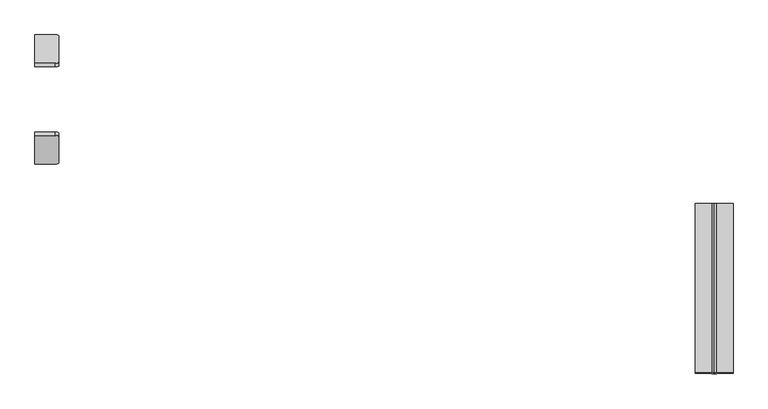
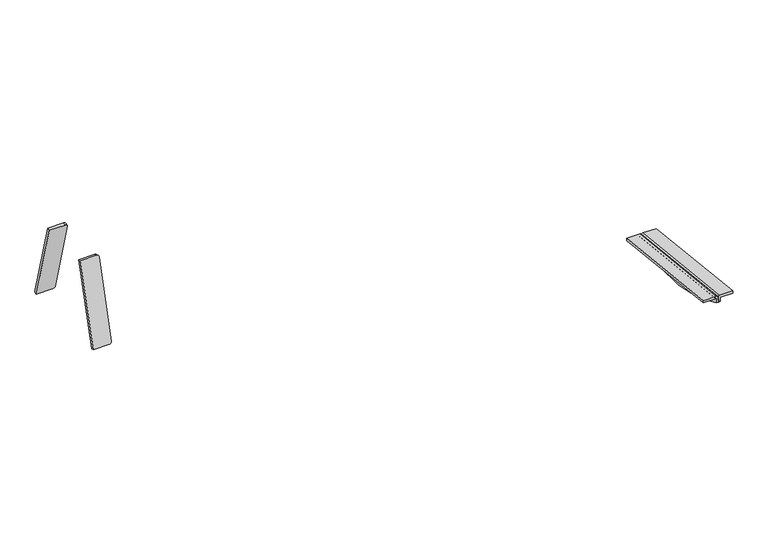
"""IFC4 building model written with IfcOpenShell, lengths in millimetres: furniture geometry."""

from ifc_helpers import new_model, si_unit, point, frame, frame_2d, origin, place, context, project, spatial, polyline, circle_curve, trimmed, segment, composite_curve, outline, extrude, source, transform, mapped, element, save
from ifc_brep_helpers import plane_surface, cylinder_surface, revolved_surface, advanced_brep


def furniture_ac6feadc(model_context):
    return source(origin(), model_context, "Body", "SolidModel", [
        extrude(outline(composite_curve([segment(polyline([(-50.4131532, 0.0), (0.0, 0.0)]), True, "CONTINUOUS"), segment(trimmed(circle_curve(frame_2d((0.0, -8.0000001)), 8.0), [point((0.0, 0.0))], [point((7.9184089, -6.8603506))], False, "CARTESIAN"), True, "CONTINUOUS"), segment(polyline([(7.9184089, -6.8603506), (7.45034, -256.1095797)]), True, "CONTINUOUS"), segment(trimmed(circle_curve(frame_2d((-0.5496459, -256.0945564)), 8.0), [point((7.45034, -256.1095797))], [point((-0.5646692, -264.0945423))], False, "CARTESIAN"), True, "CONTINUOUS"), segment(polyline([(-0.5646692, -264.0945423), (-50.9089228, -264.0), (-50.4131532, 0.0)]), True, "CONTINUOUS")], self_intersect=False)), frame((-809.1212977, 506.2807973, 503.5014558), z_axis=(-0.0013631459484884157, 0.9642258427672697, 0.2650786033856215), x_axis=(0.9999973076401404, 0.0018121741131812883, -0.0014493920980689612)), (0.0, 0.0, 1.0), 8.5816086),
        extrude(outline(composite_curve([segment(polyline([(0.0, 0.0), (264.0004656, 0.0), (264.0004656, -50.3443424)]), True, "CONTINUOUS"), segment(trimmed(circle_curve(frame_2d((256.0004656, -50.3443424)), 8.0), [point((264.0004656, -50.3443424))], [point((256.0004656, -58.3443424))], False, "CARTESIAN"), True, "CONTINUOUS"), segment(polyline([(256.0004656, -58.3443424), (6.750797, -58.3443424)]), True, "CONTINUOUS"), segment(trimmed(circle_curve(frame_2d((7.9053145, -50.4280877)), 8.0), [point((6.750797, -58.3443424))], [point((-0.0946714, -50.4130643))], False, "CARTESIAN"), True, "CONTINUOUS"), segment(polyline([(-0.0946714, -50.4130643), (0.0, 0.0)]), True, "CONTINUOUS")], self_intersect=False)), frame((-859.5343152, 204.7655811, 503.5745242), z_axis=(-0.0013631459484884229, -0.9642258427672697, 0.2650786033856215), x_axis=(0.0, 0.265078849666105, 0.9642267386147796)), (0.0, 0.0, 1.0), 8.5816086),
        advanced_brep(
        [(813.6175866, 96.5595156, 347.1443157), (813.6175866, -321.0984876, 392.7020678), (813.6175866, -319.360624, 408.6419375), (813.6175866, 98.2997586, 363.1060105), (819.6131806, -321.0984876, 392.7020678), (819.6131806, 96.5595156, 347.1443157), (819.6131806, 97.8380001, 358.8707122), (819.6131806, -319.8223825, 404.4066392), (820.5642613, -319.7193007, 405.3521172), (859.6028254, -319.7193007, 405.3521172), (859.6028254, -318.9270883, 412.6183739), (817.6175866, -318.9270883, 412.6183739), (817.6175866, 98.7332944, 367.0824469), (859.6028254, 98.7332944, 367.0824469), (859.6028254, 97.941082, 359.8161902), (820.5642613, 97.941082, 359.8161902)],
        [
            (0, 1, circle_curve(frame((813.6175866, -59.7670647, 851.2475639), z_axis=(-1.0, 0.0, 0.0), x_axis=(0.0, -1.0, 0.0)), 527.7860216)),
            (1, 2),
            (2, 3),
            (3, 0),
            (4, 5, circle_curve(frame((819.6131806, -59.7670647, 851.2475639), z_axis=(1.0, 0.0, 0.0), x_axis=(0.0, -1.0, 0.0)), 527.7860216)),
            (5, 6),
            (6, 7),
            (7, 4),
            (1, 4),
            (7, 8, circle_curve(frame((820.5642613, -319.8223825, 404.4066392), z_axis=(0.0, 0.9941091089617909, -0.10838394474826071), x_axis=(0.0, -0.10838394474826071, -0.9941091089617909)), 0.9510807)),
            (8, 9),
            (9, 10),
            (10, 11),
            (11, 2, circle_curve(frame((817.6175866, -319.360624, 408.6419375), z_axis=(0.0, -0.9941091089617909, 0.10838394474826071), x_axis=(0.0, -0.10838394474826071, -0.9941091089617909)), 4.0)),
            (0, 5),
            (3, 12, circle_curve(frame((817.6175866, 98.2997586, 363.1060105), z_axis=(0.0, 0.9941091089617909, -0.10838394474826071), x_axis=(0.0, -0.10838394474826071, -0.9941091089617909)), 4.0)),
            (12, 13),
            (13, 14),
            (14, 15),
            (15, 6, circle_curve(frame((820.5642613, 97.8380001, 358.8707122), z_axis=(0.0, -0.9941091089617909, 0.10838394474826071), x_axis=(0.0, -0.10838394474826071, -0.9941091089617909)), 0.9510807)),
            (9, 14),
            (13, 10),
            (8, 15),
            (11, 12),
        ],
        [
            plane_surface(frame((813.6175866, 97.8039221, 358.5581456), z_axis=(-1.0, 0.0, 0.0), x_axis=(0.0, 0.9941091089617913, -0.10838394474825762))),
            plane_surface(frame((819.6131806, 97.8039221, 358.5581456), z_axis=(1.0, 0.0, 0.0), x_axis=(0.0, -0.9941091089617913, 0.10838394474825762))),
            plane_surface(frame((813.6175866, -321.0984876, 392.7020678), z_axis=(0.0, -0.9941091089617909, 0.10838394474826071), x_axis=(1.0, 0.0, 0.0))),
            cylinder_surface(frame((819.6131806, -59.7670647, 851.2475639), z_axis=(-1.0, 0.0, 0.0), x_axis=(0.0, -1.0, 0.0)), 527.7860216),
            plane_surface(frame((813.6175866, 97.8039221, 358.5581456), z_axis=(0.0, 0.9941091089617916, -0.10838394474825458), x_axis=(1.0, 0.0, 0.0))),
            plane_surface(frame((859.6028254, -319.7193007, 405.3521172), z_axis=(1.0000000000000002, 0.0, 0.0), x_axis=(0.0, 0.994109108961791, -0.10838394474826066))),
            plane_surface(frame((820.5642613, -319.7193007, 405.3521172), z_axis=(0.0, -0.10838394474826066, -0.994109108961791), x_axis=(0.0, 0.994109108961791, -0.10838394474826066))),
            revolved_surface(polyline([(820.5642613, 97.73491824228601, 357.9252342105562), (820.5642613, -319.92546445485533, 403.46116123677587)]), (820.5642613, 97.8380001, 358.8707122), (0.0, 0.9941091089617909, -0.10838394474826071)),
            cylinder_surface(frame((817.6175866, 98.2997586, 363.1060105), z_axis=(0.0, -0.9941091089617909, 0.10838394474826071), x_axis=(0.0, -0.10838394474826071, -0.9941091089617909)), 4.0),
            plane_surface(frame((859.6028254, -318.9270883, 412.6183739), z_axis=(0.0, 0.10838394474826066, 0.994109108961791), x_axis=(0.0, 0.994109108961791, -0.10838394474826066))),
        ],
        [
            (0, [[1, 2, 3, 4]]),
            (1, [[5, 6, 7, 8]]),
            (2, [[-2, 9, -8, 10, 11, 12, 13, 14]]),
            (3, [[-1, 15, -5, -9]]),
            (4, [[-6, -15, -4, 16, 17, 18, 19, 20]]),
            (5, [[-12, 21, -18, 22]]),
            (6, [[-11, 23, -19, -21]]),
            (7, [[-10, -7, -20, -23]]),
            (8, [[-14, 24, -16, -3]]),
            (9, [[-13, -22, -17, -24]]),
        ],
    ),
        advanced_brep(
        [(812.5430123, -321.0984876, 392.7020678), (812.5430123, 96.5595156, 347.1443157), (812.5430123, 98.3166022, 363.2605016), (812.5430123, -319.3437805, 408.7964286), (806.5474184, 96.5595156, 347.1443157), (806.5474184, -321.0984876, 392.7020678), (806.5474184, -319.8223825, 404.4066392), (806.5474184, 97.8380001, 358.8707122), (808.5430123, -318.9102447, 412.772865), (766.5577736, -318.9102447, 412.772865), (766.5577736, -319.7193007, 405.3521172), (805.5963377, -319.7193007, 405.3521172), (805.5963377, 97.941082, 359.8161902), (766.5577736, 97.941082, 359.8161902), (766.5577736, 98.750138, 367.236938), (808.5430123, 98.750138, 367.236938)],
        [
            (0, 1, circle_curve(frame((812.5430123, -59.7670647, 851.2475639), z_axis=(1.0, 0.0, 0.0), x_axis=(0.0, -1.0, 0.0)), 527.7860216)),
            (1, 2),
            (2, 3),
            (3, 0),
            (4, 5, circle_curve(frame((806.5474184, -59.7670647, 851.2475639), z_axis=(-1.0, 0.0, 0.0), x_axis=(0.0, -1.0, 0.0)), 527.7860216)),
            (5, 6),
            (6, 7),
            (7, 4),
            (5, 0),
            (3, 8, circle_curve(frame((808.5430123, -319.3437805, 408.7964286), z_axis=(0.0, -0.9941091089617909, 0.10838394474826071), x_axis=(0.0, -0.10838394474826071, -0.9941091089617909)), 4.0)),
            (8, 9),
            (9, 10),
            (10, 11),
            (11, 6, circle_curve(frame((805.5963377, -319.8223825, 404.4066392), z_axis=(0.0, 0.9941091089617909, -0.10838394474826071), x_axis=(0.0, -0.10838394474826071, -0.9941091089617909)), 0.9510807)),
            (4, 1),
            (7, 12, circle_curve(frame((805.5963377, 97.8380001, 358.8707122), z_axis=(0.0, -0.9941091089617909, 0.10838394474826071), x_axis=(0.0, -0.10838394474826071, -0.9941091089617909)), 0.9510807)),
            (12, 13),
            (13, 14),
            (14, 15),
            (15, 2, circle_curve(frame((808.5430123, 98.3166022, 363.2605016), z_axis=(0.0, 0.9941091089617909, -0.10838394474826071), x_axis=(0.0, -0.10838394474826071, -0.9941091089617909)), 4.0)),
            (9, 14),
            (13, 10),
            (12, 11),
            (15, 8),
        ],
        [
            plane_surface(frame((812.5430123, -319.8564605, 404.0940726), z_axis=(1.0, 0.0, 0.0), x_axis=(0.0, -0.10838394474826007, -0.994109108961791))),
            plane_surface(frame((806.5474184, -319.8564605, 404.0940726), z_axis=(-1.0, 0.0, 0.0), x_axis=(0.0, 0.10838394474826007, 0.994109108961791))),
            plane_surface(frame((812.5430123, -319.8564605, 404.0940726), z_axis=(0.0, -0.994109108961791, 0.10838394474826007), x_axis=(-1.0, 0.0, 0.0))),
            cylinder_surface(frame((806.5474184, -59.7670647, 851.2475639), z_axis=(1.0, 0.0, 0.0), x_axis=(0.0, -1.0, 0.0)), 527.7860216),
            plane_surface(frame((812.5430123, 96.5595156, 347.1443157), z_axis=(0.0, 0.9941091089617916, -0.10838394474825458), x_axis=(-1.0, 0.0, 0.0))),
            plane_surface(frame((766.5577736, -318.9102447, 412.772865), z_axis=(-1.0000000000000002, 0.0, 0.0), x_axis=(0.0, 0.994109108961791, -0.10838394474826066))),
            plane_surface(frame((766.5577736, -319.7193007, 405.3521172), z_axis=(0.0, -0.10838394474826069, -0.994109108961791), x_axis=(0.0, 0.994109108961791, -0.10838394474826069))),
            revolved_surface(polyline([(805.5963377, 97.73491824228601, 357.9252342105562), (805.5963377, -319.92546445485533, 403.46116123677587)]), (805.5963377, 97.8380001, 358.8707122), (0.0, 0.9941091089617909, -0.10838394474826071)),
            cylinder_surface(frame((808.5430123, 98.3166022, 363.2605016), z_axis=(0.0, -0.9941091089617909, 0.10838394474826071), x_axis=(0.0, -0.10838394474826071, -0.9941091089617909)), 4.0),
            plane_surface(frame((808.5430123, -318.9102447, 412.772865), z_axis=(0.0, 0.10838394474826066, 0.994109108961791), x_axis=(0.0, 0.994109108961791, -0.10838394474826066))),
        ],
        [
            (0, [[1, 2, 3, 4]]),
            (1, [[5, 6, 7, 8]]),
            (2, [[-6, 9, -4, 10, 11, 12, 13, 14]]),
            (3, [[-1, -9, -5, 15]]),
            (4, [[-2, -15, -8, 16, 17, 18, 19, 20]]),
            (5, [[-12, 21, -18, 22]]),
            (6, [[-13, -22, -17, 23]]),
            (7, [[-14, -23, -16, -7]]),
            (8, [[-10, -3, -20, 24]]),
            (9, [[-11, -24, -19, -21]]),
        ],
    ),
    ])


if __name__ == "__main__":
    model = new_model("IFC4")
    model_context = context("Model", 3, world=origin())
    ifc_project = project(units=[si_unit("LENGTHUNIT", "METRE", prefix="MILLI")], contexts=[model_context])
    site = spatial("IfcSite", under=ifc_project)
    building = spatial("IfcBuilding", under=site)
    placement = place(None, origin())
    furniture_shape = furniture_ac6feadc(model_context)
    element("IfcFurniture", 1, at=placement, inside=building, context=model_context, shape_type="MappedRepresentation", body=[
        mapped(furniture_shape, transform((0.0, 0.0, 0.0), x_axis=(1.0, 0.0, 0.0), y_axis=(0.0, 1.0, 0.0), z_axis=(0.0, 0.0, 1.0))),
    ])
    save(model, "model.ifc")
